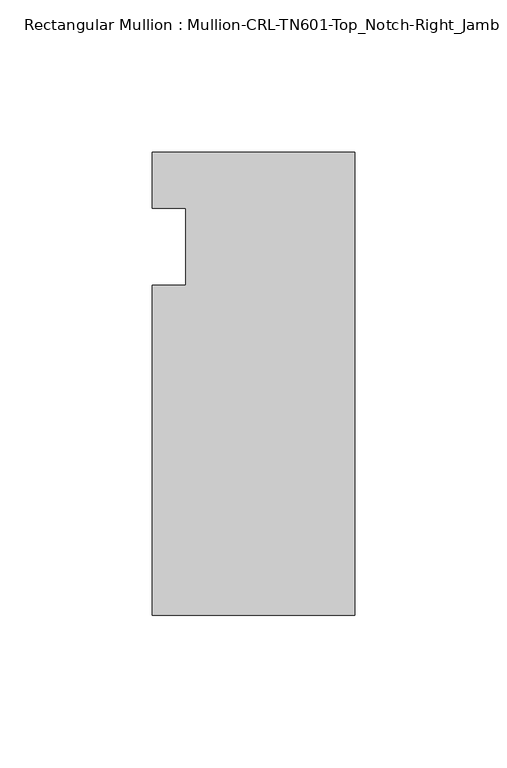
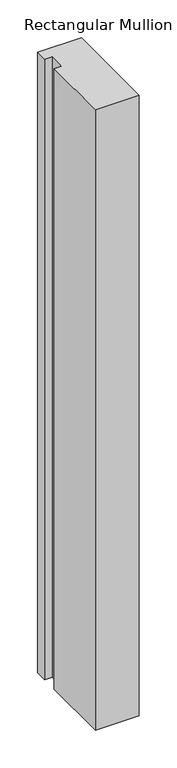
"""IFC4 building model written with IfcOpenShell, lengths in millimetres: member geometry, Rectangular Mullion : Mullion-CRL-TN601-Top_Notch-Right_Jamb."""

from ifc_helpers import new_model, si_unit, frame, origin, place, context, project, spatial, polyline, outline, extrude, source, transform, mapped, element, save


def rectangular_mullion_mullion_crl_tn601_top_notch_right_jamb_fdddf5b0(model_context):
    return source(origin(), model_context, "Body", "SweptSolid", [
        extrude(outline(polyline([(-66.675, -12.7), (-55.5625, -12.7), (-55.5625, 12.7), (-66.675, 12.7), (-66.675, 31.1419875), (0.0, 31.1419875), (0.0, -121.2580125), (-66.675, -121.2580125), (-66.675, -12.7)])), frame((0.0, 0.0, -1000.269537), z_axis=(0.0, 0.0, 1.0), x_axis=(1.0, 0.0, 0.0)), (0.0, 0.0, 1.0), 1000.269537),
    ])


if __name__ == "__main__":
    model = new_model("IFC4")
    model_context = context("Model", 3, world=origin())
    ifc_project = project(units=[si_unit("LENGTHUNIT", "METRE", prefix="MILLI")], contexts=[model_context])
    site = spatial("IfcSite", under=ifc_project)
    building = spatial("IfcBuilding", under=site)
    placement = place(None, origin())
    rectangular_mullion_mullion_crl_tn601_top_notch_right_jamb_shape = rectangular_mullion_mullion_crl_tn601_top_notch_right_jamb_fdddf5b0(model_context)
    element("IfcMember", 1, ObjectType="Rectangular Mullion : Mullion-CRL-TN601-Top_Notch-Right_Jamb", at=placement, inside=building, context=model_context, shape_type="MappedRepresentation", body=[
        mapped(rectangular_mullion_mullion_crl_tn601_top_notch_right_jamb_shape, transform((0.0, 0.0, 0.0), x_axis=(1.0, 0.0, 0.0), y_axis=(0.0, 1.0, 0.0), z_axis=(0.0, 0.0, 1.0))),
    ])
    save(model, "model.ifc")
